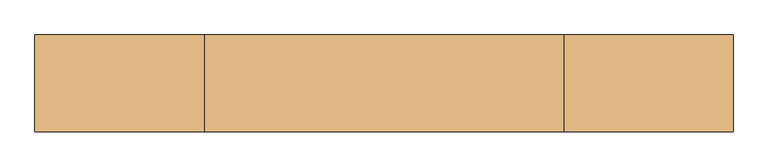
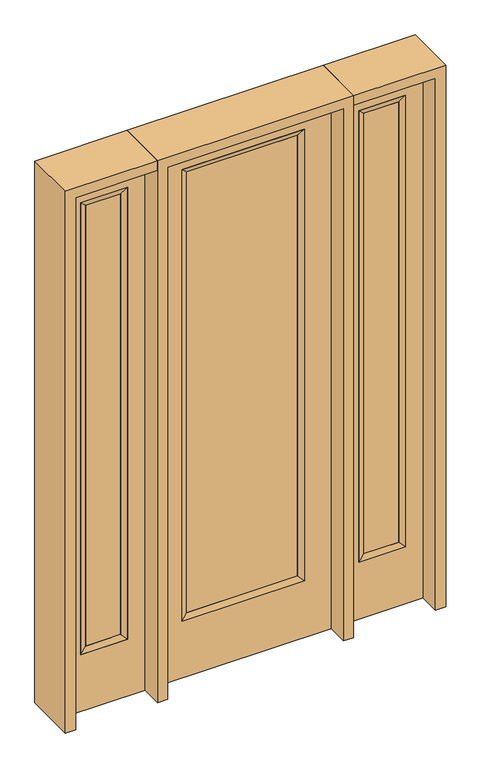
"""IFC4 building model written with IfcOpenShell, lengths in millimetres: door geometry."""

from ifc_helpers import new_model, si_unit, frame, origin, place, context, project, spatial, polyline, outline, extrude, faceted_brep, source, transform, mapped, element, save


def door_095b7af0(model_context):
    return source(origin(), model_context, "Body", "SolidModel", [
        extrude(outline(polyline([(240.1824, -12.7039749), (-240.1824, -12.7039749), (-240.1824, 14.2875), (240.1824, 14.2875), (240.1824, -12.7039749)])), frame((0.0, 0.0, 285.75), z_axis=(0.0, 0.0, 1.0), x_axis=(1.0, 0.0, 0.0)), (0.0, 0.0, 1.0), 2019.3),
        faceted_brep([(240.1824, 14.2875, 2305.05), (265.5824, 22.225, 2330.45), (265.5824, 22.225, 260.35), (240.1824, 14.2875, 285.75), (265.5824, -22.225, 2330.45), (265.5824, -22.225, 260.35), (-265.5824, 22.225, 260.35), (-240.1824, 14.2875, 285.75), (240.1824, -12.7039749, 2305.05), (240.1824, -12.7039749, 285.75), (-240.1824, -12.7039749, 285.75), (-265.5824, -22.225, 260.35), (-265.5824, 22.225, 2330.45), (-240.1824, 14.2875, 2305.05), (-240.1824, -12.7039749, 2305.05), (-265.5824, -22.225, 2330.45)], [[[0, 1, 2, 3]], [[1, 4, 5, 2]], [[3, 2, 6, 7]], [[8, 0, 3, 9]], [[9, 3, 7, 10]], [[4, 8, 9, 5]], [[5, 9, 10, 11]], [[2, 5, 11, 6]], [[7, 6, 12, 13]], [[10, 7, 13, 14]], [[11, 10, 14, 15]], [[6, 11, 15, 12]], [[13, 12, 1, 0]], [[14, 13, 0, 8]], [[15, 14, 8, 4]], [[12, 15, 4, 1]]]),
        extrude(outline(polyline([(0.0, -381.0), (0.0, 381.0), (2438.4, 381.0), (2438.4, -381.0), (0.0, -381.0)]), holes=[polyline([(260.35, -265.5824), (2330.45, -265.5824), (2330.45, 265.5824), (260.35, 265.5824), (260.35, -265.5824)])]), frame((0.0, -22.225, 0.0), z_axis=(0.0, 1.0, 0.0), x_axis=(0.0, 0.0, 1.0)), (0.0, 0.0, 1.0), 44.45),
        faceted_brep([(501.65, 20.6375, 2330.45), (501.65, 20.6375, 260.35), (501.65, -20.6375, 260.35), (501.65, -20.6375, 2330.45), (527.05, -12.7, 285.75), (527.05, -12.7, 2305.05), (704.85, 20.6375, 260.35), (704.85, -20.6375, 260.35), (527.05, 12.7, 2305.05), (527.05, 12.7, 285.75), (679.45, 12.7, 285.75), (679.45, -12.7, 285.75), (704.85, 20.6375, 2330.45), (704.85, -20.6375, 2330.45), (679.45, 12.7, 2305.05), (679.45, -12.7, 2305.05)], [[[0, 1, 2, 3]], [[3, 2, 4, 5]], [[1, 6, 7, 2]], [[8, 9, 1, 0]], [[9, 10, 6, 1]], [[5, 4, 9, 8]], [[4, 11, 10, 9]], [[2, 7, 11, 4]], [[6, 12, 13, 7]], [[10, 14, 12, 6]], [[11, 15, 14, 10]], [[7, 13, 15, 11]], [[12, 0, 3, 13]], [[14, 8, 0, 12]], [[15, 5, 8, 14]], [[13, 3, 5, 15]]]),
        extrude(outline(polyline([(0.0, 781.05), (2438.4, 781.05), (2438.4, 425.45), (0.0, 425.45), (0.0, 781.05)]), holes=[polyline([(2330.45, 501.65), (2330.45, 704.85), (260.35, 704.85), (260.35, 501.65), (2330.45, 501.65)])]), frame((0.0, -20.6375, 0.0), z_axis=(0.0, 1.0, 0.0), x_axis=(0.0, 0.0, 1.0)), (0.0, 0.0, 1.0), 41.275),
        extrude(outline(polyline([(527.05, -12.7), (527.05, 12.7), (679.45, 12.7), (679.45, -12.7), (527.05, -12.7)])), frame((0.0, 0.0, 284.95625), z_axis=(0.0, 0.0, 1.0), x_axis=(1.0, 0.0, 0.0)), (0.0, 0.0, 1.0), 2020.09375),
        faceted_brep([(-501.65, 20.6375, 2330.45), (-501.65, -20.6375, 2330.45), (-501.65, -20.6375, 260.35), (-501.65, 20.6375, 260.35), (-527.05, -12.7, 2305.05), (-527.05, -12.7, 285.75), (-704.85, -20.6375, 260.35), (-704.85, 20.6375, 260.35), (-527.05, 12.7, 2305.05), (-527.05, 12.7, 285.75), (-679.45, 12.7, 285.75), (-679.45, -12.7, 285.75), (-704.85, -20.6375, 2330.45), (-704.85, 20.6375, 2330.45), (-679.45, 12.7, 2305.05), (-679.45, -12.7, 2305.05)], [[[0, 1, 2, 3]], [[1, 4, 5, 2]], [[3, 2, 6, 7]], [[8, 0, 3, 9]], [[9, 3, 7, 10]], [[4, 8, 9, 5]], [[5, 9, 10, 11]], [[2, 5, 11, 6]], [[7, 6, 12, 13]], [[10, 7, 13, 14]], [[11, 10, 14, 15]], [[6, 11, 15, 12]], [[13, 12, 1, 0]], [[14, 13, 0, 8]], [[15, 14, 8, 4]], [[12, 15, 4, 1]]]),
        extrude(outline(polyline([(0.0, -781.05), (0.0, -425.45), (2438.4, -425.45), (2438.4, -781.05), (0.0, -781.05)]), holes=[polyline([(2330.45, -501.65), (260.35, -501.65), (260.35, -704.85), (2330.45, -704.85), (2330.45, -501.65)])]), frame((0.0, -20.6375, 0.0), z_axis=(0.0, 1.0, 0.0), x_axis=(0.0, 0.0, 1.0)), (0.0, 0.0, 1.0), 41.275),
        extrude(outline(polyline([(-527.05, -12.7), (-679.45, -12.7), (-679.45, 12.7), (-527.05, 12.7), (-527.05, -12.7)])), frame((0.0, 0.0, 284.95625), z_axis=(0.0, 0.0, 1.0), x_axis=(1.0, 0.0, 0.0)), (0.0, 0.0, 1.0), 2020.09375),
        extrude(outline(polyline([(2438.4, -425.45), (2482.85, -425.45), (2482.85, -825.5), (0.0, -825.5), (0.0, -781.05), (2438.4, -781.05), (2438.4, -425.45)])), frame((0.0, -114.3, 0.0), z_axis=(0.0, 1.0, 0.0), x_axis=(0.0, 0.0, 1.0)), (0.0, 0.0, 1.0), 228.6),
        extrude(outline(polyline([(2482.85, -425.45), (0.0, -425.45), (0.0, -381.0), (2438.4, -381.0), (2438.4, 381.0), (0.0, 381.0), (0.0, 425.45), (2482.85, 425.45), (2482.85, -425.45)])), frame((0.0, -114.3, 0.0), z_axis=(0.0, 1.0, 0.0), x_axis=(0.0, 0.0, 1.0)), (0.0, 0.0, 1.0), 228.6),
        extrude(outline(polyline([(0.0, 781.05), (0.0, 825.5), (2482.85, 825.5), (2482.85, 425.45), (2438.4, 425.45), (2438.4, 781.05), (0.0, 781.05)])), frame((0.0, -114.3, 0.0), z_axis=(0.0, 1.0, 0.0), x_axis=(0.0, 0.0, 1.0)), (0.0, 0.0, 1.0), 228.6),
    ])


if __name__ == "__main__":
    model = new_model("IFC4")
    model_context = context("Model", 3, world=origin())
    ifc_project = project(units=[si_unit("LENGTHUNIT", "METRE", prefix="MILLI")], contexts=[model_context])
    site = spatial("IfcSite", under=ifc_project)
    building = spatial("IfcBuilding", under=site)
    placement = place(None, origin())
    door_shape = door_095b7af0(model_context)
    element("IfcDoor", 1, at=placement, inside=building, context=model_context, shape_type="MappedRepresentation", body=[
        mapped(door_shape, transform((0.0, 0.0, 0.0), x_axis=(1.0, 0.0, 0.0), y_axis=(0.0, 1.0, 0.0), z_axis=(0.0, 0.0, 1.0))),
    ])
    save(model, "model.ifc")
